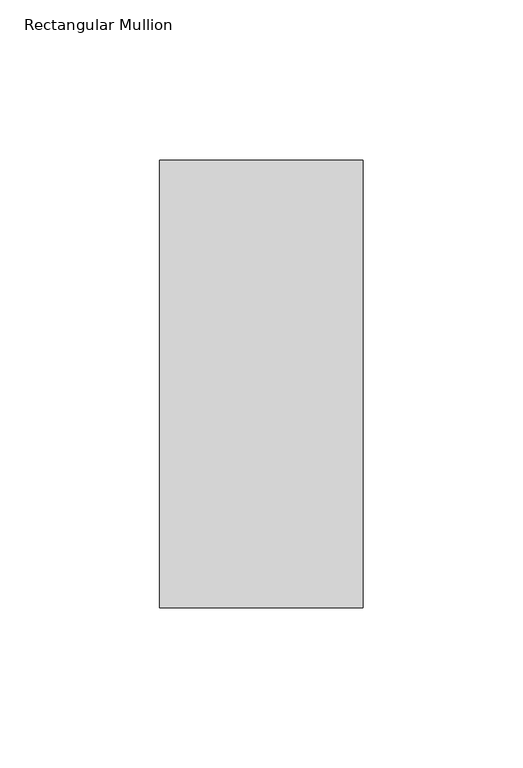
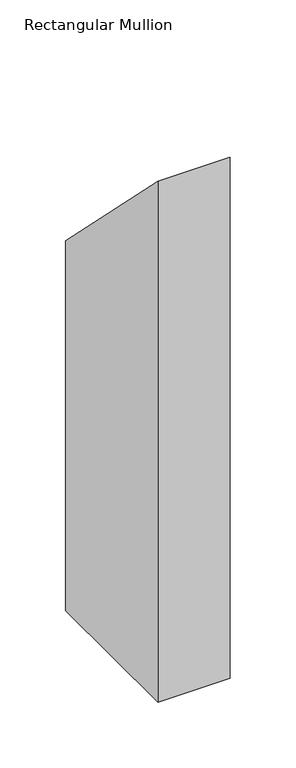
"""IFC4 building model written with IfcOpenShell, lengths in millimetres: member geometry, Rectangular Mullion."""

from ifc_helpers import new_model, si_unit, frame, origin, place, context, project, spatial, polyline, outline, extrude, source, transform, mapped, element, save


def rectangular_mullion_7c75b8c3(model_context):
    return source(origin(), model_context, "Body", "SweptSolid", [
        extrude(outline(polyline([(50.8202784, -50.8202784), (190.7881317, -190.7881317), (190.7881317, -533.36825), (50.8202784, -533.36825), (50.8202784, -50.8202784)])), frame((-63.5, 0.0, 0.0), z_axis=(1.0, 0.0, 0.0), x_axis=(0.0, 1.0, 0.0)), (0.0, 0.0, 1.0), 63.5),
    ])


if __name__ == "__main__":
    model = new_model("IFC4")
    model_context = context("Model", 3, world=origin())
    ifc_project = project(units=[si_unit("LENGTHUNIT", "METRE", prefix="MILLI")], contexts=[model_context])
    site = spatial("IfcSite", under=ifc_project)
    building = spatial("IfcBuilding", under=site)
    placement = place(None, origin())
    rectangular_mullion_shape = rectangular_mullion_7c75b8c3(model_context)
    element("IfcMember", 1, ObjectType="Rectangular Mullion", at=placement, inside=building, context=model_context, shape_type="MappedRepresentation", body=[
        mapped(rectangular_mullion_shape, transform((0.0, 0.0, 0.0), x_axis=(1.0, 0.0, 0.0), y_axis=(0.0, 1.0, 0.0), z_axis=(0.0, 0.0, 1.0))),
    ])
    save(model, "model.ifc")
